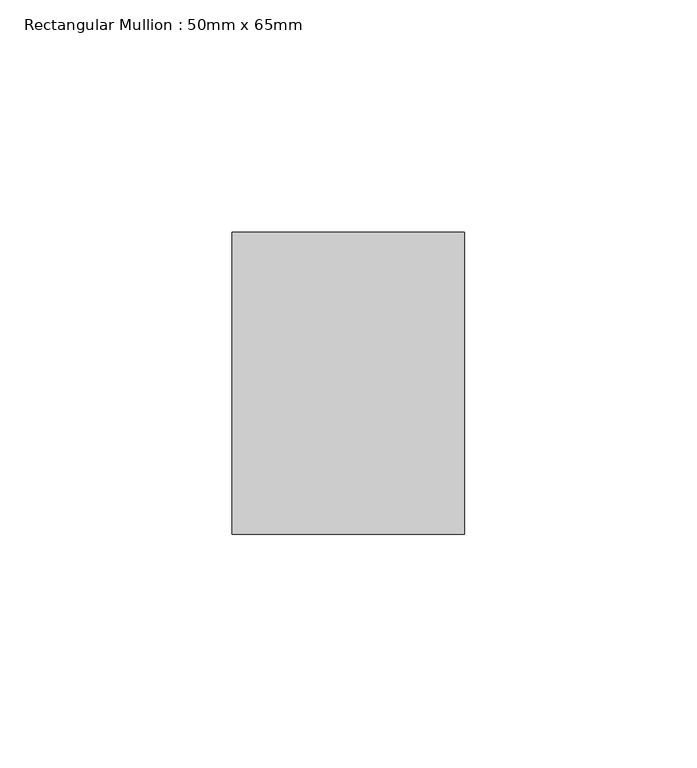
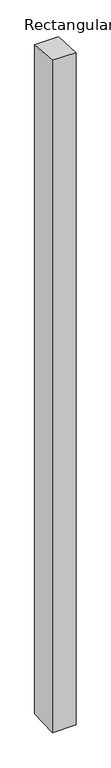
"""IFC4 building model written with IfcOpenShell, lengths in millimetres: member geometry, Rectangular Mullion : 50mm x 65mm."""

from ifc_helpers import new_model, si_unit, origin, place, context, project, spatial, faceted_brep, source, transform, mapped, element, save


def rectangular_mullion_50mm_x_65mm_c0398af6(model_context):
    return source(origin(), model_context, "Body", "Brep", [
        faceted_brep([(-25.0, 32.5, -2.165978), (25.0, 32.5, -2.1659774), (25.0, 32.5, -1498.7588445), (-25.0, 32.5, -1498.7588442), (-25.0, -32.5, 2.1659774), (-25.0, -32.5, -1501.2410267), (25.0, -32.5, 2.165978), (25.0, -32.5, -1501.2410271)], [[[0, 1, 2, 3]], [[4, 0, 3, 5]], [[6, 4, 5, 7]], [[1, 6, 7, 2]], [[1, 0, 4, 6]], [[2, 7, 5, 3]]]),
    ])


if __name__ == "__main__":
    model = new_model("IFC4")
    model_context = context("Model", 3, world=origin())
    ifc_project = project(units=[si_unit("LENGTHUNIT", "METRE", prefix="MILLI")], contexts=[model_context])
    site = spatial("IfcSite", under=ifc_project)
    building = spatial("IfcBuilding", under=site)
    placement = place(None, origin())
    rectangular_mullion_50mm_x_65mm_shape = rectangular_mullion_50mm_x_65mm_c0398af6(model_context)
    element("IfcMember", 1, ObjectType="Rectangular Mullion : 50mm x 65mm", at=placement, inside=building, context=model_context, shape_type="MappedRepresentation", body=[
        mapped(rectangular_mullion_50mm_x_65mm_shape, transform((0.0, 0.0, 0.0), x_axis=(1.0, 0.0, 0.0), y_axis=(0.0, 1.0, 0.0), z_axis=(0.0, 0.0, 1.0))),
    ])
    save(model, "model.ifc")
